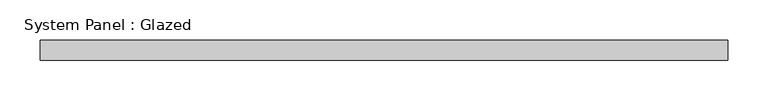
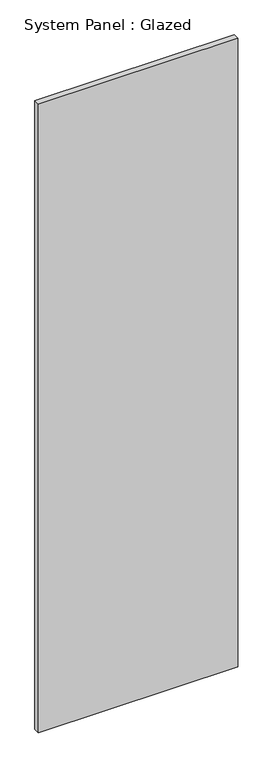
"""IFC4 building model written with IfcOpenShell, lengths in millimetres: plate geometry, System Panel : Glazed."""

from ifc_helpers import new_model, si_unit, origin, origin_with_axes, place, context, project, spatial, polyline, outline, extrude, source, transform, mapped, element, save


def system_panel_glazed_5095771f(model_context):
    return source(origin(), model_context, "Body", "SweptSolid", [
        extrude(outline(polyline([(427.4999998, 24.5), (-427.4999998, 24.5), (-427.4999998, 49.5), (427.4999998, 49.5), (427.4999998, 24.5)])), origin_with_axes(), (0.0, 0.0, 1.0), 2850.0),
    ])


if __name__ == "__main__":
    model = new_model("IFC4")
    model_context = context("Model", 3, world=origin())
    ifc_project = project(units=[si_unit("LENGTHUNIT", "METRE", prefix="MILLI")], contexts=[model_context])
    site = spatial("IfcSite", under=ifc_project)
    building = spatial("IfcBuilding", under=site)
    placement = place(None, origin())
    system_panel_glazed_shape = system_panel_glazed_5095771f(model_context)
    element("IfcPlate", 1, ObjectType="System Panel : Glazed", at=placement, inside=building, context=model_context, shape_type="MappedRepresentation", body=[
        mapped(system_panel_glazed_shape, transform((0.0, 0.0, 0.0), x_axis=(1.0, 0.0, 0.0), y_axis=(0.0, 1.0, 0.0), z_axis=(0.0, 0.0, 1.0))),
    ])
    save(model, "model.ifc")
